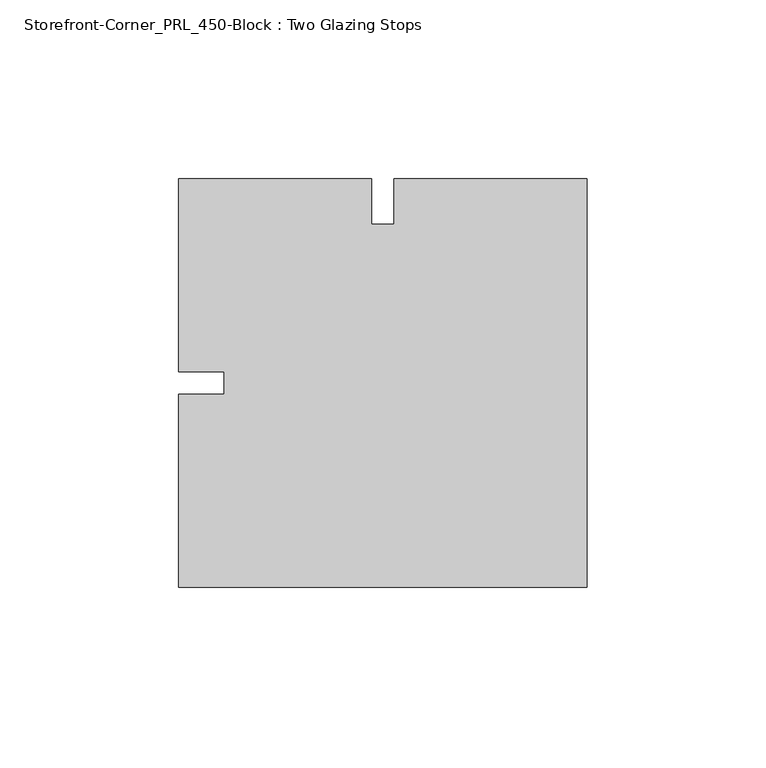
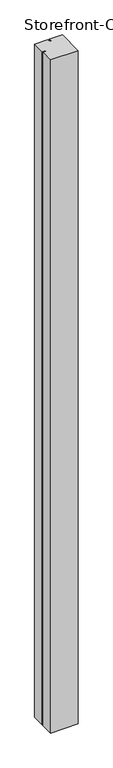
"""IFC4 building model written with IfcOpenShell, lengths in millimetres: proxy geometry, Storefront-Corner_PRL_450-Block : Two Glazing Stops."""

from ifc_helpers import new_model, si_unit, origin, origin_with_axes, place, context, project, spatial, polyline, outline, extrude, source, transform, mapped, element, save


def storefront_corner_prl_450_block_two_glazing_stops_95248cec(model_context):
    return source(origin(), model_context, "Body", "SweptSolid", [
        extrude(outline(polyline([(-57.15, 3.175), (-57.15, 57.15), (-3.175, 57.15), (-3.175, 44.45), (3.175, 44.45), (3.175, 57.15), (57.15, 57.15), (57.15, -57.15), (-57.15, -57.15), (-57.15, -3.175), (-44.45, -3.175), (-44.45, 3.175), (-57.15, 3.175)])), origin_with_axes(), (0.0, 0.0, 1.0), 2946.4),
    ])


if __name__ == "__main__":
    model = new_model("IFC4")
    model_context = context("Model", 3, world=origin())
    ifc_project = project(units=[si_unit("LENGTHUNIT", "METRE", prefix="MILLI")], contexts=[model_context])
    site = spatial("IfcSite", under=ifc_project)
    building = spatial("IfcBuilding", under=site)
    placement = place(None, origin())
    storefront_corner_prl_450_block_two_glazing_stops_shape = storefront_corner_prl_450_block_two_glazing_stops_95248cec(model_context)
    element("IfcBuildingElementProxy", 1, Name="Storefront-Corner_PRL_450-Block : Two Glazing Stops", ObjectType="Storefront-Corner_PRL_450-Block : Two Glazing Stops", at=placement, inside=building, context=model_context, shape_type="MappedRepresentation", body=[
        mapped(storefront_corner_prl_450_block_two_glazing_stops_shape, transform((0.0, 0.0, 0.0), x_axis=(1.0, 0.0, 0.0), y_axis=(0.0, 1.0, 0.0), z_axis=(0.0, 0.0, 1.0))),
    ])
    save(model, "model.ifc")
